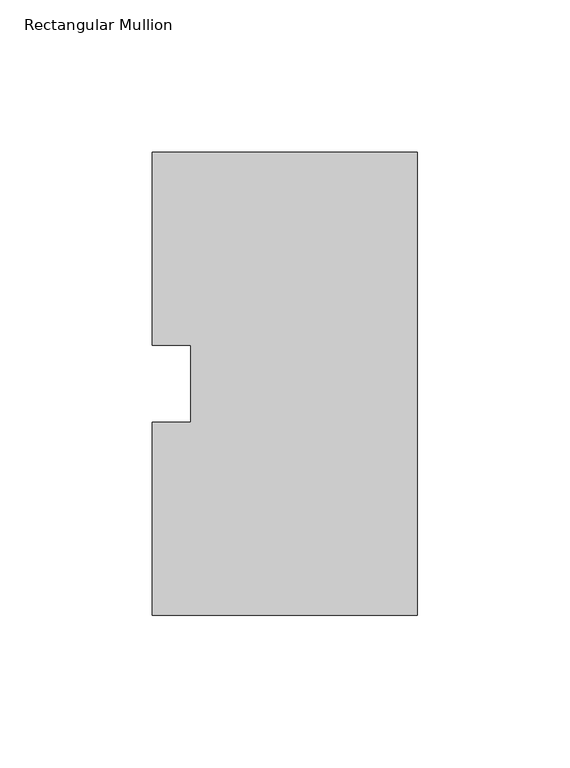
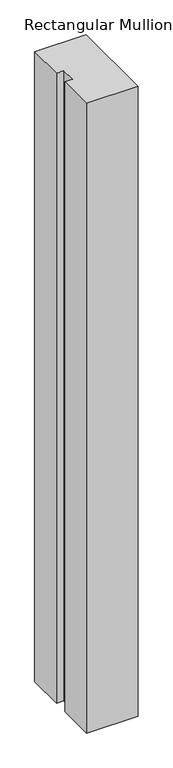
"""IFC4 building model written with IfcOpenShell, lengths in millimetres: member geometry, Rectangular Mullion."""

from ifc_helpers import new_model, si_unit, frame, origin, place, context, project, spatial, polyline, outline, extrude, source, transform, mapped, element, save


def rectangular_mullion_da0e13b3(model_context):
    return source(origin(), model_context, "Body", "SweptSolid", [
        extrude(outline(polyline([(-87.3125, 76.2), (0.0, 76.2), (0.0, -76.2), (-87.3125, -76.2), (-87.3125, -12.7), (-74.6107296, -12.7), (-74.6107296, 12.7), (-87.3125, 12.7), (-87.3125, 76.2)])), frame((0.0, 0.0, -1130.3), z_axis=(0.0, 0.0, 1.0), x_axis=(1.0, 0.0, 0.0)), (0.0, 0.0, 1.0), 1130.3),
    ])


if __name__ == "__main__":
    model = new_model("IFC4")
    model_context = context("Model", 3, world=origin())
    ifc_project = project(units=[si_unit("LENGTHUNIT", "METRE", prefix="MILLI")], contexts=[model_context])
    site = spatial("IfcSite", under=ifc_project)
    building = spatial("IfcBuilding", under=site)
    placement = place(None, origin())
    rectangular_mullion_shape = rectangular_mullion_da0e13b3(model_context)
    element("IfcMember", 1, ObjectType="Rectangular Mullion", at=placement, inside=building, context=model_context, shape_type="MappedRepresentation", body=[
        mapped(rectangular_mullion_shape, transform((0.0, 0.0, 0.0), x_axis=(1.0, 0.0, 0.0), y_axis=(0.0, 1.0, 0.0), z_axis=(0.0, 0.0, 1.0))),
    ])
    save(model, "model.ifc")
